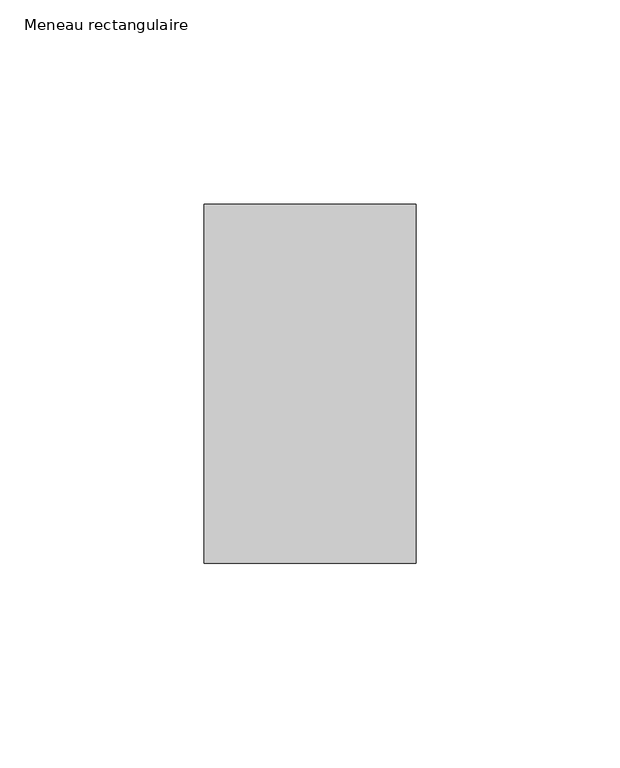
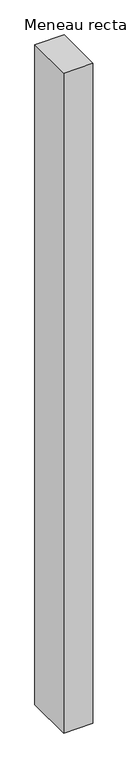
"""IFC4 building model written with IfcOpenShell, lengths in millimetres: member geometry, Meneau rectangulaire."""

from ifc_helpers import new_model, si_unit, frame, origin, place, context, project, spatial, polyline, outline, extrude, source, transform, mapped, element, save


def meneau_rectangulaire_df50ee77(model_context):
    return source(origin(), model_context, "Body", "SweptSolid", [
        extrude(outline(polyline([(-52.0, 44.0), (0.0, 44.0), (0.0, -44.0), (-52.0, -44.0), (-52.0, 44.0)])), frame((0.0, 0.0, -1234.8749998), z_axis=(0.0, 0.0, 1.0), x_axis=(1.0, 0.0, 0.0)), (0.0, 0.0, 1.0), 1234.8749998),
    ])


if __name__ == "__main__":
    model = new_model("IFC4")
    model_context = context("Model", 3, world=origin())
    ifc_project = project(units=[si_unit("LENGTHUNIT", "METRE", prefix="MILLI")], contexts=[model_context])
    site = spatial("IfcSite", under=ifc_project)
    building = spatial("IfcBuilding", under=site)
    placement = place(None, origin())
    meneau_rectangulaire_shape = meneau_rectangulaire_df50ee77(model_context)
    element("IfcMember", 1, ObjectType="Meneau rectangulaire", at=placement, inside=building, context=model_context, shape_type="MappedRepresentation", body=[
        mapped(meneau_rectangulaire_shape, transform((0.0, 0.0, 0.0), x_axis=(1.0, 0.0, 0.0), y_axis=(0.0, 1.0, 0.0), z_axis=(0.0, 0.0, 1.0))),
    ])
    save(model, "model.ifc")
